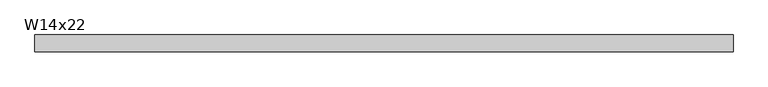
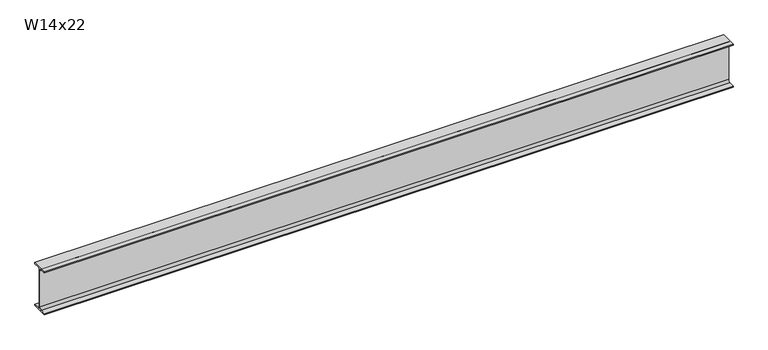
"""IFC4 building model written with IfcOpenShell, lengths in millimetres: beam geometry, W14x22."""

from ifc_helpers import new_model, si_unit, point, frame, frame_2d, origin, place, context, project, spatial, polyline, circle_curve, trimmed, segment, composite_curve, outline, extrude, source, transform, mapped, element, save


def w14x22_39797476(model_context):
    return source(origin(), model_context, "Body", "SweptSolid", [
        extrude(outline(composite_curve([segment(polyline([(63.5, -165.481), (63.5, -173.99), (-63.5, -173.99), (-63.5, -165.481), (-21.3995, -165.481)]), True, "CONTINUOUS"), segment(trimmed(circle_curve(frame_2d((-21.3995, -147.0025)), 18.4785), [point((-21.3995, -165.481))], [point((-2.921, -147.0025))], True, "CARTESIAN"), True, "CONTINUOUS"), segment(polyline([(-2.921, -147.0025), (-2.921, 147.0025)]), True, "CONTINUOUS"), segment(trimmed(circle_curve(frame_2d((-21.3995, 147.0025)), 18.4785), [point((-2.921, 147.0025))], [point((-21.3995, 165.481))], True, "CARTESIAN"), True, "CONTINUOUS"), segment(polyline([(-21.3995, 165.481), (-63.5, 165.481), (-63.5, 173.99), (63.5, 173.99), (63.5, 165.481), (21.3995, 165.481)]), True, "CONTINUOUS"), segment(trimmed(circle_curve(frame_2d((21.3995, 147.0025)), 18.4785), [point((21.3995, 165.481))], [point((2.921, 147.0025))], True, "CARTESIAN"), True, "CONTINUOUS"), segment(polyline([(2.921, 147.0025), (2.921, -147.0025)]), True, "CONTINUOUS"), segment(trimmed(circle_curve(frame_2d((21.3995, -147.0025)), 18.4785), [point((2.921, -147.0025))], [point((21.3995, -165.481))], True, "CARTESIAN"), True, "CONTINUOUS"), segment(polyline([(21.3995, -165.481), (63.5, -165.481)]), True, "CONTINUOUS")], self_intersect=False)), frame((-2652.8605506, 0.0, 0.0), z_axis=(1.0, 0.0, 0.0), x_axis=(0.0, 1.0, 0.0)), (0.0, 0.0, 1.0), 5307.1605506),
    ])


if __name__ == "__main__":
    model = new_model("IFC4")
    model_context = context("Model", 3, world=origin())
    ifc_project = project(units=[si_unit("LENGTHUNIT", "METRE", prefix="MILLI")], contexts=[model_context])
    site = spatial("IfcSite", under=ifc_project)
    building = spatial("IfcBuilding", under=site)
    placement = place(None, origin())
    w14x22_shape = w14x22_39797476(model_context)
    element("IfcBeam", 1, ObjectType="W14x22", at=placement, inside=building, context=model_context, shape_type="MappedRepresentation", body=[
        mapped(w14x22_shape, transform((0.0, 0.0, 0.0), x_axis=(1.0, 0.0, 0.0), y_axis=(0.0, 1.0, 0.0), z_axis=(0.0, 0.0, 1.0))),
    ])
    save(model, "model.ifc")
